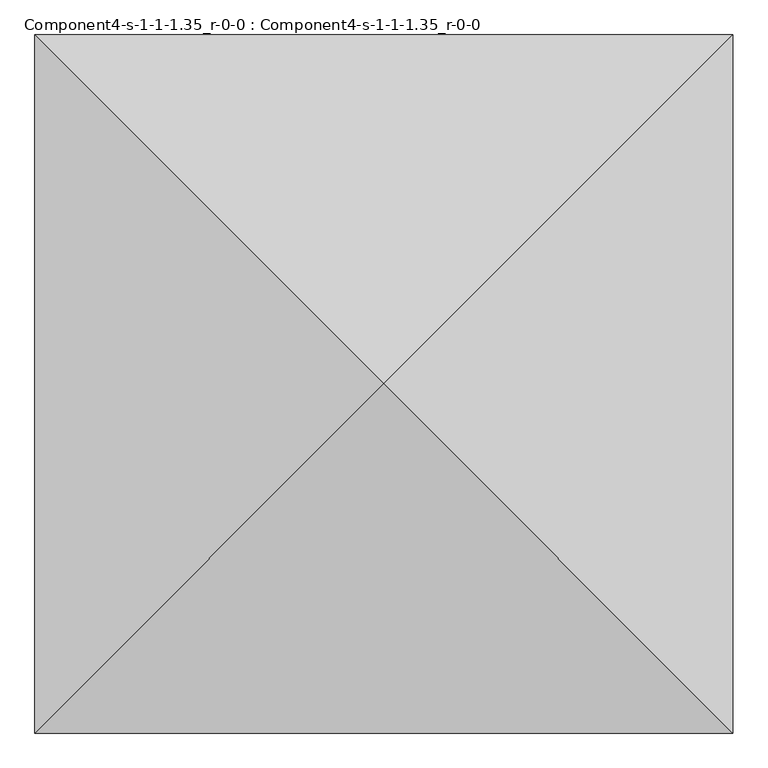
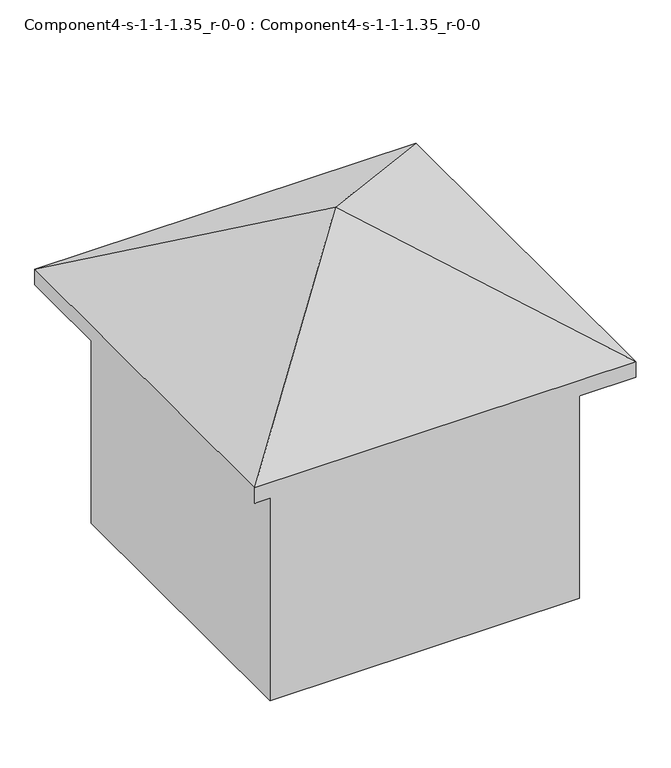
"""IFC4 building model written with IfcOpenShell, lengths in millimetres: geographic element geometry, Component4-s-1-1-1.35_r-0-0 : Component4-s-1-1-1.35_r-0-0."""

from ifc_helpers import new_model, si_unit, origin, place, context, project, spatial, triangles, source, transform, mapped, element, save


def component4_s_1_1_1_35_r_0_0_component4_s_1_1_1_35_r_0_0_5dfbd429(model_context):
    return source(origin(), model_context, "Body", "Tessellation", [
        triangles([(3240.4844719, 3240.4844719, 6352.2227325), (0.0, 6480.9689438, 4406.2650581), (0.0, 0.0, 4406.2650581), (6480.9689438, 6480.9689438, 4406.2650581), (6480.9689438, 0.0, 4406.2650581), (6480.9689438, 6480.9689438, 4131.9448837), (0.0, 0.0, 4131.9448837), (0.0, 6480.9689438, 4131.9448837), (6480.9689438, 0.0, 4131.9448837), (5871.3689438, 5871.3689438, 0.0), (609.6, 609.6, 0.0), (609.6, 5871.3689438, 0.0), (5871.3689438, 609.6, 0.0), (5871.3689438, 609.6, 4406.2650581), (609.6, 609.6, 4406.2650581), (5871.3689438, 5871.3689438, 4406.2650581), (609.6, 5871.3689438, 4406.2650581)], [[1, 2, 3], [4, 2, 1], [5, 1, 3], [4, 1, 5], [6, 7, 8], [7, 6, 9], [2, 7, 3], [7, 2, 8], [2, 6, 8], [6, 2, 4], [6, 5, 9], [5, 6, 4], [5, 7, 9], [7, 5, 3], [10, 11, 12], [11, 10, 13], [14, 11, 13], [11, 14, 15], [10, 14, 13], [14, 10, 16], [17, 10, 12], [10, 17, 16], [17, 11, 15], [11, 17, 12], [14, 17, 15], [17, 14, 16]]),
    ])


if __name__ == "__main__":
    model = new_model("IFC4")
    model_context = context("Model", 3, world=origin())
    ifc_project = project(units=[si_unit("LENGTHUNIT", "METRE", prefix="MILLI")], contexts=[model_context])
    site = spatial("IfcSite", under=ifc_project)
    building = spatial("IfcBuilding", under=site)
    placement = place(None, origin())
    component4_s_1_1_1_35_r_0_0_component4_s_1_1_1_35_r_0_0_shape = component4_s_1_1_1_35_r_0_0_component4_s_1_1_1_35_r_0_0_5dfbd429(model_context)
    element("IfcGeographicElement", 1, ObjectType="Component4-s-1-1-1.35_r-0-0 : Component4-s-1-1-1.35_r-0-0", at=placement, inside=building, context=model_context, shape_type="MappedRepresentation", body=[
        mapped(component4_s_1_1_1_35_r_0_0_component4_s_1_1_1_35_r_0_0_shape, transform((0.0, 0.0, 0.0), x_axis=(1.0, 0.0, 0.0), y_axis=(0.0, 1.0, 0.0), z_axis=(0.0, 0.0, 1.0))),
    ])
    save(model, "model.ifc")
